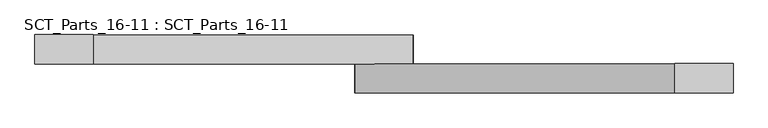
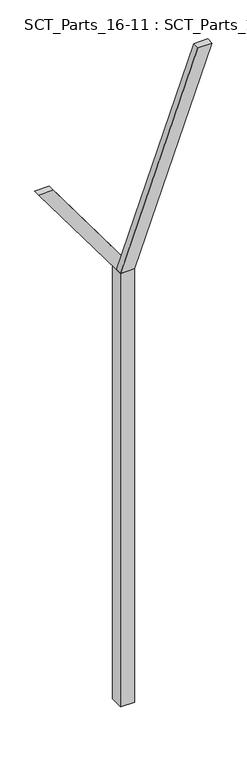
"""IFC4 building model written with IfcOpenShell, lengths in millimetres: proxy geometry, SCT_Parts_16-11 : SCT_Parts_16-11."""

import ifcopenshell
import ifcopenshell.guid

model = None  # the IFC model being written
_history = None  # IfcOwnerHistory: only IFC2X3 demands one
_inside = {}  # id of a spatial element -> (the spatial element, [elements in it])
_under = {}  # id of a project, library or spatial element -> (it, [spatial elements below it])
_declared = {}  # id of a project -> (the project, [libraries it declares])
_typed = {}  # id of a type object -> (the type object, [elements of that type])
_made_of = {}  # id of a material, layer set ... -> (it, [elements and type objects made of it])


def new_model(schema):
    """Start an empty IFC model of exactly this schema.

    Asked for "IFC4X3", IfcOpenShell would pick the latest addendum, in which some entities
    have other attributes; the version numbers below select the first issue.
    IFC2X3 requires an IfcOwnerHistory on every rooted entity: one is made here for all.
    """
    global model, _history
    if schema == "IFC4X3":
        model = ifcopenshell.file(schema_version=(4, 3, 0, 0))
    else:
        model = ifcopenshell.file(schema=schema)
    _inside.clear()
    _under.clear()
    _declared.clear()
    _typed.clear()
    _made_of.clear()
    _history = None
    if model.schema == "IFC2X3":
        org = make("IfcOrganization", Name="unknown")
        user = make(
            "IfcPersonAndOrganization",
            ThePerson=make("IfcPerson", FamilyName="unknown"),
            TheOrganization=org,
        )
        app = make(
            "IfcApplication",
            ApplicationDeveloper=org,
            Version="unknown",
            ApplicationFullName="unknown",
            ApplicationIdentifier="unknown",
        )
        _history = make(
            "IfcOwnerHistory",
            OwningUser=user,
            OwningApplication=app,
            ChangeAction="ADDED",
            CreationDate=0,
        )
    return model


def make(cls, **values):
    """One entity of the class cls with the attributes given. An attribute that is None is left unset."""
    return model.create_entity(
        cls, **{name: value for name, value in values.items() if value is not None}
    )


def rooted(cls, **values):
    """An entity with a GlobalId (a new one), such as an element, a storey or a relation."""
    return make(cls, GlobalId=ifcopenshell.guid.new(), OwnerHistory=_history, **values)


def si_unit(unit_type, name, prefix=None):
    """IfcSIUnit, for example si_unit("LENGTHUNIT", "METRE", prefix="MILLI")."""
    return make("IfcSIUnit", UnitType=unit_type, Prefix=prefix, Name=name)


def assignment(units):
    """IfcUnitAssignment: the units of a project."""
    return None if units is None else make("IfcUnitAssignment", Units=units)


def point(xyz):
    """IfcCartesianPoint."""
    return None if xyz is None else make("IfcCartesianPoint", Coordinates=xyz)


def direction(xyz):
    """IfcDirection."""
    return None if xyz is None else make("IfcDirection", DirectionRatios=xyz)


def frame(location, z_axis=None, x_axis=None):
    """IfcAxis2Placement3D, a coordinate frame: its origin and axes. An axis left out is left unset."""
    return make(
        "IfcAxis2Placement3D",
        Location=point(location),
        Axis=direction(z_axis),
        RefDirection=direction(x_axis),
    )


def origin():
    """The frame at (0, 0, 0) with its axes left unset."""
    return frame((0.0, 0.0, 0.0))


def origin_with_axes():
    """The frame at (0, 0, 0) with the z axis (0, 0, 1) and the x axis (1, 0, 0) written out."""
    return frame((0.0, 0.0, 0.0), z_axis=(0.0, 0.0, 1.0), x_axis=(1.0, 0.0, 0.0))


def place(relative_to, where):
    """IfcLocalPlacement: puts the frame where relative to a parent placement (None: the world)."""
    return make(
        "IfcLocalPlacement", PlacementRelTo=relative_to, RelativePlacement=where
    )


def context(
    kind, dimensions, precision=None, world=None, true_north=None, identifier=None
):
    """IfcGeometricRepresentationContext, for example the 3D "Model" context."""
    return make(
        "IfcGeometricRepresentationContext",
        ContextIdentifier=identifier,
        ContextType=kind,
        CoordinateSpaceDimension=dimensions,
        Precision=precision,
        WorldCoordinateSystem=world,
        TrueNorth=true_north,
    )


def project(units=None, contexts=None):
    """IfcProject with its units and contexts."""
    return rooted(
        "IfcProject",
        Name="project",
        RepresentationContexts=contexts,
        UnitsInContext=assignment(units),
    )


def spatial(cls, under=None, at=None, **own):
    """A site, building, storey or space (cls), placed at a placement, below another one or the project."""
    s = rooted(cls, ObjectPlacement=at, **own)
    if under is not None:
        _under.setdefault(under.id(), (under, []))[1].append(s)
    return s


def polyline(points):
    """IfcPolyline through the points."""
    return make("IfcPolyline", Points=[point(p) for p in points])


def outline(outer, holes=None, kind="AREA"):
    """IfcArbitraryClosedProfileDef: a profile drawn as a closed curve; with holes, ...WithVoids."""
    if holes is None:
        return make("IfcArbitraryClosedProfileDef", ProfileType=kind, OuterCurve=outer)
    return make(
        "IfcArbitraryProfileDefWithVoids",
        ProfileType=kind,
        OuterCurve=outer,
        InnerCurves=holes,
    )


def extrude(swept, where, along, depth):
    """IfcExtrudedAreaSolid: the profile swept, set in the frame where, extruded along a direction by depth."""
    return make(
        "IfcExtrudedAreaSolid",
        SweptArea=swept,
        Position=where,
        ExtrudedDirection=direction(along),
        Depth=depth,
    )


def shape(context_of_items, identifier, shape_type, items):
    """IfcShapeRepresentation: the items that make up one representation, for example the "Body"."""
    return make(
        "IfcShapeRepresentation",
        ContextOfItems=context_of_items,
        RepresentationIdentifier=identifier,
        RepresentationType=shape_type,
        Items=items,
    )


def source(mapping_origin, context_of_items, identifier, shape_type, items):
    """IfcRepresentationMap: a shape defined once, which mapped items show again and again."""
    return make(
        "IfcRepresentationMap",
        MappingOrigin=mapping_origin,
        MappedRepresentation=shape(context_of_items, identifier, shape_type, items),
    )


def transform(
    local_origin,
    x_axis=None,
    y_axis=None,
    z_axis=None,
    scale=None,
    scale2=None,
    scale3=None,
    uniform=True,
):
    """IfcCartesianTransformationOperator3D, or its non-uniform kind. x_axis, y_axis, z_axis: its Axis1, 2, 3."""
    if uniform:
        return make(
            "IfcCartesianTransformationOperator3D",
            Axis1=direction(x_axis),
            Axis2=direction(y_axis),
            LocalOrigin=point(local_origin),
            Scale=scale,
            Axis3=direction(z_axis),
        )
    return make(
        "IfcCartesianTransformationOperator3DnonUniform",
        Axis1=direction(x_axis),
        Axis2=direction(y_axis),
        LocalOrigin=point(local_origin),
        Scale=scale,
        Axis3=direction(z_axis),
        Scale2=scale2,
        Scale3=scale3,
    )


def mapped(mapping_source, mapping_target):
    """IfcMappedItem: shows the shape of a source again, moved by a transform."""
    return make(
        "IfcMappedItem", MappingSource=mapping_source, MappingTarget=mapping_target
    )


def made_of(thing, what):
    """Note that an element or type object is made of a material, layer set ...; save() writes the relation."""
    if what is not None:
        _made_of.setdefault(what.id(), (what, []))[1].append(thing)
    return thing


def element(
    cls,
    number,
    at=None,
    inside=None,
    cuts=None,
    type_object=None,
    material=None,
    context=None,
    identifier="Body",
    shape_type=None,
    held_by="IfcProductDefinitionShape",
    body=None,
    shapes=None,
    **own,
):
    """One element of the class cls, such as IfcWall. Its Tag is "e" and its number.

    at: its placement. inside: the storey or other place that contains it. cuts: it is an
    opening in that element (IfcRelVoidsElement). A single representation is given by context,
    identifier, shape_type and body (its items); several are given by shapes. held_by: the class
    of the entity that holds the representations. save() writes the other relations.
    """
    e = rooted(cls, Tag="e%d" % number, ObjectPlacement=at, **own)
    if body is not None:
        shapes = [shape(context, identifier, shape_type, body)]
    if shapes is not None:
        e.Representation = make(held_by, Representations=shapes)
    if inside is not None:
        _inside.setdefault(inside.id(), (inside, []))[1].append(e)
    if cuts is not None:
        rooted(
            "IfcRelVoidsElement", RelatingBuildingElement=cuts, RelatedOpeningElement=e
        )
    if type_object is not None:
        _typed.setdefault(type_object.id(), (type_object, []))[1].append(e)
    return made_of(e, material)


def aggregate(whole, parts):
    """IfcRelAggregates: a whole, such as a stair, and the parts it consists of."""
    return rooted("IfcRelAggregates", RelatingObject=whole, RelatedObjects=parts)


def save(model, path):
    """Write the relations noted so far, then the file.

    IfcRelAggregates (storeys below a building ...), IfcRelContainedInSpatialStructure (elements
    in a storey), IfcRelDefinesByType, IfcRelAssociatesMaterial and IfcRelDeclares: one each for
    every whole, place, type object, material and project.
    """
    for whole, parts in _under.values():
        aggregate(whole, parts)
    for where, things in _inside.values():
        rooted(
            "IfcRelContainedInSpatialStructure",
            RelatedElements=things,
            RelatingStructure=where,
        )
    for kind, things in _typed.values():
        rooted("IfcRelDefinesByType", RelatedObjects=things, RelatingType=kind)
    for what, things in _made_of.values():
        rooted("IfcRelAssociatesMaterial", RelatedObjects=things, RelatingMaterial=what)
    for by, libraries in _declared.values():
        rooted("IfcRelDeclares", RelatingContext=by, RelatedDefinitions=libraries)
    model.write(path)


def sct_parts_16_11_sct_parts_16_11_b3ff2aaa(model_context):
    return source(origin(), model_context, "Body", "SweptSolid", [
        extrude(outline(polyline([(6500.0, 200.0), (9500.0, 1300.0), (9500.0, 1100.0), (6500.0, 0.0), (6500.0, 200.0)])), frame((0.0, -200.0, 0.0), z_axis=(0.0, 1.0, 0.0), x_axis=(0.0, 0.0, 1.0)), (0.0, 0.0, 1.0), 100.0),
        extrude(outline(polyline([(6500.0, 0.0), (6500.0, 200.0), (8000.0, -900.0), (8000.0, -1100.0), (6500.0, 0.0)])), frame((0.0, -100.0, 0.0), z_axis=(0.0, 1.0, 0.0), x_axis=(0.0, 0.0, 1.0)), (0.0, 0.0, 1.0), 100.0),
        extrude(outline(polyline([(200.0, -200.0), (0.0, -200.0), (0.0, 0.0), (200.0, 0.0), (200.0, -200.0)])), origin_with_axes(), (0.0, 0.0, 1.0), 6500.0),
    ])


if __name__ == "__main__":
    model = new_model("IFC4")
    model_context = context("Model", 3, world=origin())
    ifc_project = project(units=[si_unit("LENGTHUNIT", "METRE", prefix="MILLI")], contexts=[model_context])
    site = spatial("IfcSite", under=ifc_project)
    building = spatial("IfcBuilding", under=site)
    placement = place(None, origin())
    sct_parts_16_11_sct_parts_16_11_shape = sct_parts_16_11_sct_parts_16_11_b3ff2aaa(model_context)
    element("IfcBuildingElementProxy", 1, Name="SCT_Parts_16-11 : SCT_Parts_16-11", ObjectType="SCT_Parts_16-11 : SCT_Parts_16-11", at=placement, inside=building, context=model_context, shape_type="MappedRepresentation", body=[
        mapped(sct_parts_16_11_sct_parts_16_11_shape, transform((0.0, 0.0, 0.0), x_axis=(1.0, 0.0, 0.0), y_axis=(0.0, 1.0, 0.0), z_axis=(0.0, 0.0, 1.0))),
    ])
    save(model, "model.ifc")
